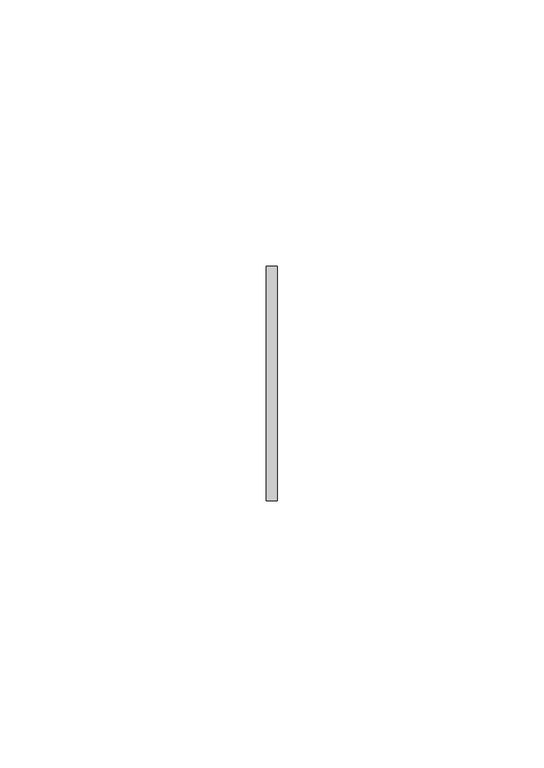
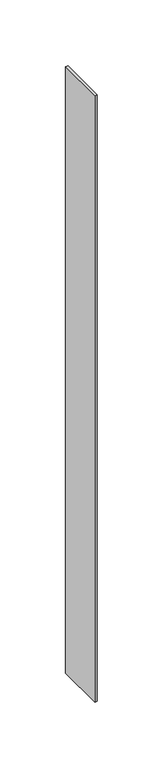
"""IFC4 building model written with IfcOpenShell, lengths in millimetres: member geometry."""

from ifc_helpers import new_model, si_unit, frame, origin, place, context, project, spatial, polyline, outline, extrude, source, transform, mapped, element, save


def member_e9ed71a9(model_context):
    return source(origin(), model_context, "Body", "SweptSolid", [
        extrude(outline(polyline([(1.0, 22.0), (1.0, -22.0), (-1.0, -22.0), (-1.0, 22.0), (1.0, 22.0)])), frame((0.0, 0.0, -561.0), z_axis=(0.0, 0.0, 1.0), x_axis=(1.0, 0.0, 0.0)), (0.0, 0.0, 1.0), 561.0),
    ])


if __name__ == "__main__":
    model = new_model("IFC4")
    model_context = context("Model", 3, world=origin())
    ifc_project = project(units=[si_unit("LENGTHUNIT", "METRE", prefix="MILLI")], contexts=[model_context])
    site = spatial("IfcSite", under=ifc_project)
    building = spatial("IfcBuilding", under=site)
    placement = place(None, origin())
    member_shape = member_e9ed71a9(model_context)
    element("IfcMember", 1, at=placement, inside=building, context=model_context, shape_type="MappedRepresentation", body=[
        mapped(member_shape, transform((0.0, 0.0, 0.0), x_axis=(1.0, 0.0, 0.0), y_axis=(0.0, 1.0, 0.0), z_axis=(0.0, 0.0, 1.0))),
    ])
    save(model, "model.ifc")
